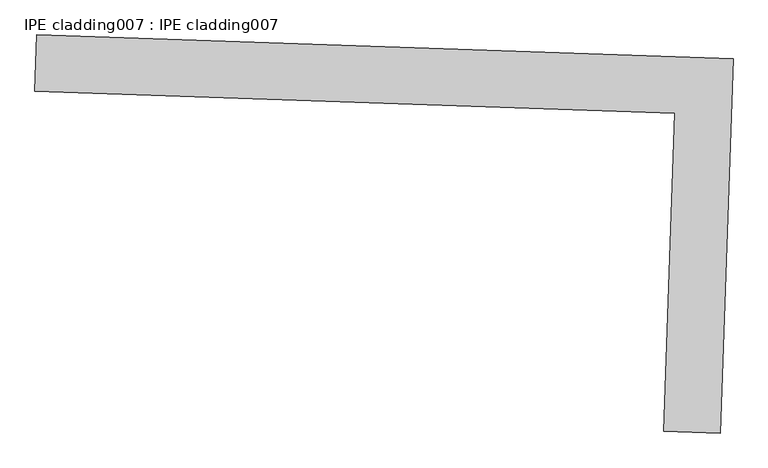
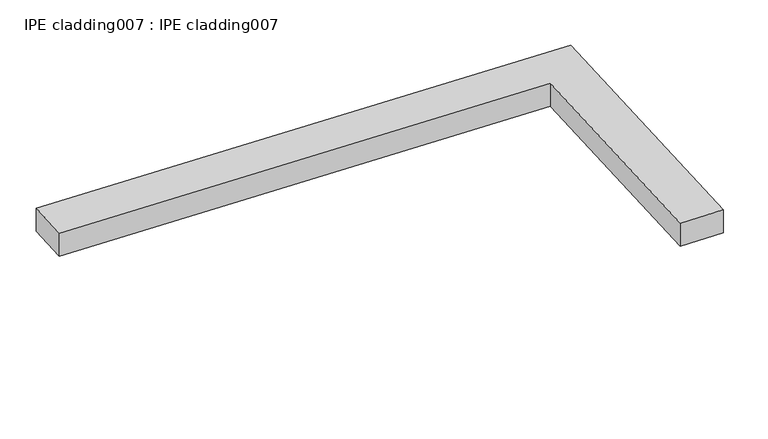
"""IFC4 building model written with IfcOpenShell, lengths in millimetres: proxy geometry, IPE cladding007 : IPE cladding007."""

from ifc_helpers import new_model, si_unit, frame, origin, place, context, project, spatial, polyline, outline, extrude, source, transform, mapped, element, save


def ipe_cladding007_ipe_cladding007_8b6c0d08(model_context):
    return source(origin(), model_context, "Body", "SweptSolid", [
        extrude(outline(polyline([(17306.5036746, -14579.7358925), (17309.5442115, -14490.8879036), (18404.971373, -14528.3753762), (18384.8189498, -15117.2524147), (18295.9709608, -15114.2118781), (18313.0828475, -14614.1828282), (17306.5036746, -14579.7358925)])), frame((0.0, 0.0, 632.775707), z_axis=(0.0, 0.0, 1.0), x_axis=(1.0, 0.0, 0.0)), (0.0, 0.0, 1.0), 50.8),
    ])


if __name__ == "__main__":
    model = new_model("IFC4")
    model_context = context("Model", 3, world=origin())
    ifc_project = project(units=[si_unit("LENGTHUNIT", "METRE", prefix="MILLI")], contexts=[model_context])
    site = spatial("IfcSite", under=ifc_project)
    building = spatial("IfcBuilding", under=site)
    placement = place(None, origin())
    ipe_cladding007_ipe_cladding007_shape = ipe_cladding007_ipe_cladding007_8b6c0d08(model_context)
    element("IfcBuildingElementProxy", 1, Name="IPE cladding007 : IPE cladding007", ObjectType="IPE cladding007 : IPE cladding007", at=placement, inside=building, context=model_context, shape_type="MappedRepresentation", body=[
        mapped(ipe_cladding007_ipe_cladding007_shape, transform((0.0, 0.0, 0.0), x_axis=(1.0, 0.0, 0.0), y_axis=(0.0, 1.0, 0.0), z_axis=(0.0, 0.0, 1.0))),
    ])
    save(model, "model.ifc")
